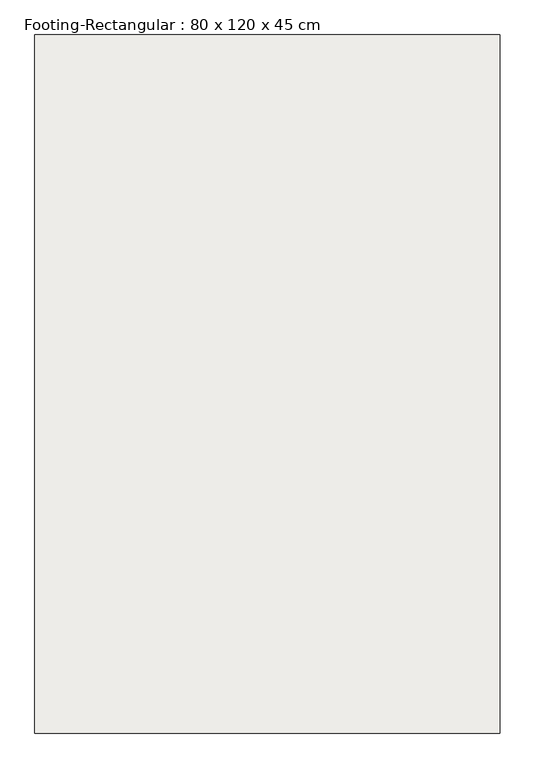
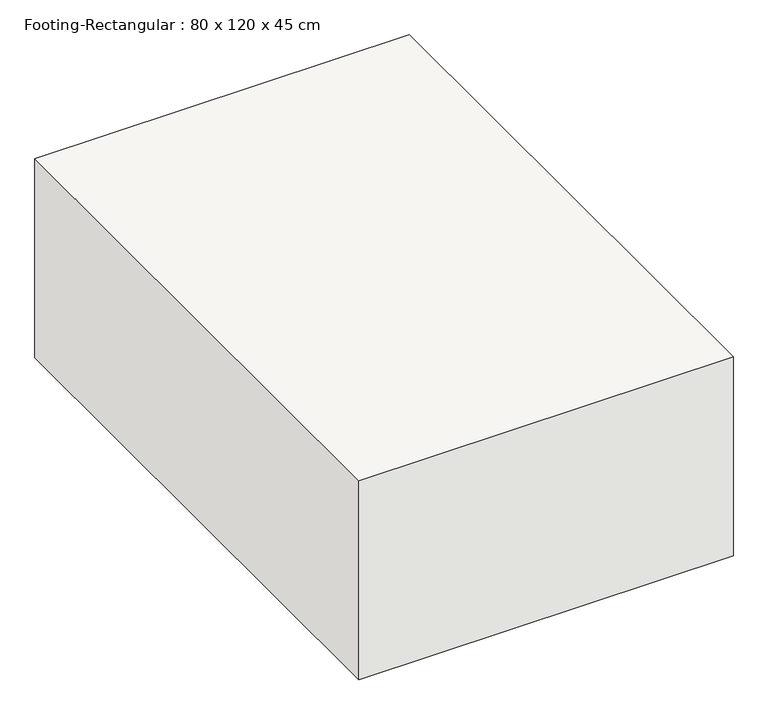
"""IFC4 building model written with IfcOpenShell, lengths in millimetres: slab geometry, Footing-Rectangular : 80 x 120 x 45 cm."""

from ifc_helpers import new_model, si_unit, frame, origin, place, context, project, spatial, polyline, outline, extrude, source, transform, mapped, element, save


def footing_rectangular_80_x_120_x_45_cm_4e2092f8(model_context):
    return source(origin(), model_context, "Body", "SweptSolid", [
        extrude(outline(polyline([(400.0, 600.0), (400.0, -600.0), (-400.0, -600.0), (-400.0, 600.0), (400.0, 600.0)])), frame((0.0, 0.0, -450.0), z_axis=(0.0, 0.0, 1.0), x_axis=(1.0, 0.0, 0.0)), (0.0, 0.0, 1.0), 450.0),
    ])


if __name__ == "__main__":
    model = new_model("IFC4")
    model_context = context("Model", 3, world=origin())
    ifc_project = project(units=[si_unit("LENGTHUNIT", "METRE", prefix="MILLI")], contexts=[model_context])
    site = spatial("IfcSite", under=ifc_project)
    building = spatial("IfcBuilding", under=site)
    placement = place(None, origin())
    footing_rectangular_80_x_120_x_45_cm_shape = footing_rectangular_80_x_120_x_45_cm_4e2092f8(model_context)
    element("IfcSlab", 1, ObjectType="Footing-Rectangular : 80 x 120 x 45 cm", at=placement, inside=building, context=model_context, shape_type="MappedRepresentation", body=[
        mapped(footing_rectangular_80_x_120_x_45_cm_shape, transform((0.0, 0.0, 0.0), x_axis=(1.0, 0.0, 0.0), y_axis=(0.0, 1.0, 0.0), z_axis=(0.0, 0.0, 1.0))),
    ])
    save(model, "model.ifc")
